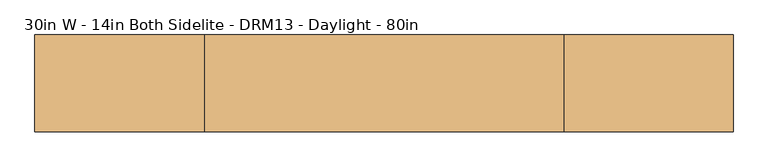
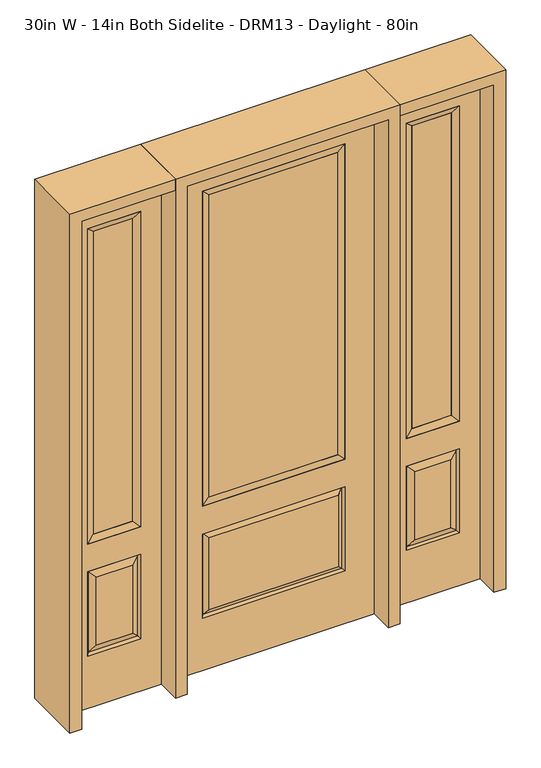
"""IFC4 building model written with IfcOpenShell, lengths in millimetres: door geometry, 30in W - 14in Both Sidelite - DRM13 - Daylight - 80in."""

from ifc_helpers import new_model, si_unit, frame, origin, place, context, project, spatial, polyline, outline, extrude, faceted_brep, source, transform, mapped, element, save


def door_30in_w_14in_both_sidelite_drm13_daylight_80in_07d39ec7(model_context):
    return source(origin(), model_context, "Body", "SolidModel", [
        faceted_brep([(425.45, -22.225, 0.0), (781.05, -22.225, 0.0), (781.05, -22.225, 2032.0), (425.45, -22.225, 2032.0), (703.58, -22.225, 1919.224), (703.58, -22.225, 657.098), (502.92, -22.225, 657.098), (502.92, -22.225, 1919.224), (703.58, -22.225, 209.55), (502.92, -22.225, 209.55), (502.92, -22.225, 546.1), (703.58, -22.225, 546.1), (534.6351001, -22.225, 241.2651001), (671.8648999, -22.225, 241.2651001), (671.8648999, -22.225, 514.3848999), (534.6351001, -22.225, 514.3848999), (425.45, 22.225, 0.0), (425.45, 22.225, 2032.0), (781.05, 22.225, 2032.0), (781.05, 22.225, 0.0), (703.58, 22.225, 1919.224), (502.92, 22.225, 1919.224), (502.92, 22.225, 657.098), (703.58, 22.225, 657.098), (502.92, 22.225, 209.55), (703.58, 22.225, 209.55), (703.58, 22.225, 546.1), (502.92, 22.225, 546.1), (671.8648999, 22.225, 241.2651001), (534.6351001, 22.225, 241.2651001), (534.6351001, 22.225, 514.3848999), (671.8648999, 22.225, 514.3848999), (696.4711499, 12.7912373, 216.6588501), (510.0288501, 12.7912373, 216.6588501), (510.0288501, 12.7912373, 538.9911499), (696.4711499, 12.7912373, 538.9911499), (510.0288501, -12.7912373, 216.6588501), (696.4711499, -12.7912373, 216.6588501), (510.0288501, -12.7912373, 538.9911499), (696.4711499, -12.7912373, 538.9911499)], [[[0, 1, 2, 3], [4, 5, 6, 7], [8, 9, 10, 11]], [[12, 13, 14, 15]], [[16, 17, 18, 19], [20, 21, 22, 23], [24, 25, 26, 27]], [[28, 29, 30, 31]], [[1, 0, 16, 19]], [[2, 1, 19, 18]], [[3, 2, 18, 17]], [[0, 3, 17, 16]], [[5, 4, 20, 23]], [[6, 5, 23, 22]], [[7, 6, 22, 21]], [[4, 7, 21, 20]], [[32, 33, 29, 28]], [[33, 32, 25, 24]], [[29, 33, 34, 30]], [[33, 24, 27, 34]], [[30, 34, 35, 31]], [[34, 27, 26, 35]], [[32, 28, 31, 35]], [[25, 32, 35, 26]], [[12, 36, 37, 13]], [[37, 36, 9, 8]], [[36, 12, 15, 38]], [[9, 36, 38, 10]], [[38, 15, 14, 39]], [[10, 38, 39, 11]], [[13, 37, 39, 14]], [[37, 8, 11, 39]]]),
        faceted_brep([(502.92, 22.225, 1919.224), (502.92, -22.225, 1919.224), (703.58, -22.225, 1919.224), (703.58, 22.225, 1919.224), (528.32, 12.7, 1893.824), (678.18, 12.7, 1893.824), (528.32, -12.7, 1893.824), (678.18, -12.7, 1893.824), (703.58, -22.225, 657.098), (703.58, 22.225, 657.098), (678.18, 12.7, 682.498), (678.18, -12.7, 682.498), (502.92, -22.225, 657.098), (502.92, 22.225, 657.098), (528.32, 12.7, 682.498), (528.32, -12.7, 682.498)], [[[0, 1, 2, 3]], [[4, 0, 3, 5]], [[6, 4, 5, 7]], [[1, 6, 7, 2]], [[3, 2, 8, 9]], [[5, 3, 9, 10]], [[7, 5, 10, 11]], [[2, 7, 11, 8]], [[9, 8, 12, 13]], [[10, 9, 13, 14]], [[11, 10, 14, 15]], [[8, 11, 15, 12]], [[13, 12, 1, 0]], [[14, 13, 0, 4]], [[15, 14, 4, 6]], [[12, 15, 6, 1]]]),
        extrude(outline(polyline([(678.18, -12.7), (528.32, -12.7), (528.32, 12.7), (678.18, 12.7), (678.18, -12.7)])), frame((0.0, 0.0, 682.498), z_axis=(0.0, 0.0, 1.0), x_axis=(1.0, 0.0, 0.0)), (0.0, 0.0, 1.0), 1211.326),
        faceted_brep([(-781.05, -22.225, 0.0), (-425.45, -22.225, 0.0), (-425.45, -22.225, 2032.0), (-781.05, -22.225, 2032.0), (-502.92, -22.225, 1919.224), (-502.92, -22.225, 657.098), (-703.58, -22.225, 657.098), (-703.58, -22.225, 1919.224), (-502.92, -22.225, 209.55), (-703.58, -22.225, 209.55), (-703.58, -22.225, 546.1), (-502.92, -22.225, 546.1), (-671.8648999, -22.225, 241.2651001), (-534.6351001, -22.225, 241.2651001), (-534.6351001, -22.225, 514.3848999), (-671.8648999, -22.225, 514.3848999), (-781.05, 22.225, 0.0), (-781.05, 22.225, 2032.0), (-425.45, 22.225, 2032.0), (-425.45, 22.225, 0.0), (-502.92, 22.225, 1919.224), (-703.58, 22.225, 1919.224), (-703.58, 22.225, 657.098), (-502.92, 22.225, 657.098), (-703.58, 22.225, 209.55), (-502.92, 22.225, 209.55), (-502.92, 22.225, 546.1), (-703.58, 22.225, 546.1), (-534.6351001, 22.225, 241.2651001), (-671.8648999, 22.225, 241.2651001), (-671.8648999, 22.225, 514.3848999), (-534.6351001, 22.225, 514.3848999), (-510.0288501, 12.7912373, 216.6588501), (-696.4711499, 12.7912373, 216.6588501), (-696.4711499, 12.7912373, 538.9911499), (-510.0288501, 12.7912373, 538.9911499), (-696.4711499, -12.7912373, 216.6588501), (-510.0288501, -12.7912373, 216.6588501), (-696.4711499, -12.7912373, 538.9911499), (-510.0288501, -12.7912373, 538.9911499)], [[[0, 1, 2, 3], [4, 5, 6, 7], [8, 9, 10, 11]], [[12, 13, 14, 15]], [[16, 17, 18, 19], [20, 21, 22, 23], [24, 25, 26, 27]], [[28, 29, 30, 31]], [[1, 0, 16, 19]], [[2, 1, 19, 18]], [[3, 2, 18, 17]], [[0, 3, 17, 16]], [[5, 4, 20, 23]], [[6, 5, 23, 22]], [[7, 6, 22, 21]], [[4, 7, 21, 20]], [[32, 33, 29, 28]], [[33, 32, 25, 24]], [[29, 33, 34, 30]], [[33, 24, 27, 34]], [[30, 34, 35, 31]], [[34, 27, 26, 35]], [[32, 28, 31, 35]], [[25, 32, 35, 26]], [[12, 36, 37, 13]], [[37, 36, 9, 8]], [[36, 12, 15, 38]], [[9, 36, 38, 10]], [[38, 15, 14, 39]], [[10, 38, 39, 11]], [[13, 37, 39, 14]], [[37, 8, 11, 39]]]),
        faceted_brep([(-703.58, 22.225, 1919.224), (-703.58, -22.225, 1919.224), (-502.92, -22.225, 1919.224), (-502.92, 22.225, 1919.224), (-678.18, 12.7, 1893.824), (-528.32, 12.7, 1893.824), (-678.18, -12.7, 1893.824), (-528.32, -12.7, 1893.824), (-502.92, -22.225, 657.098), (-502.92, 22.225, 657.098), (-528.32, 12.7, 682.498), (-528.32, -12.7, 682.498), (-703.58, -22.225, 657.098), (-703.58, 22.225, 657.098), (-678.18, 12.7, 682.498), (-678.18, -12.7, 682.498)], [[[0, 1, 2, 3]], [[4, 0, 3, 5]], [[6, 4, 5, 7]], [[1, 6, 7, 2]], [[3, 2, 8, 9]], [[5, 3, 9, 10]], [[7, 5, 10, 11]], [[2, 7, 11, 8]], [[9, 8, 12, 13]], [[10, 9, 13, 14]], [[11, 10, 14, 15]], [[8, 11, 15, 12]], [[13, 12, 1, 0]], [[14, 13, 0, 4]], [[15, 14, 4, 6]], [[12, 15, 6, 1]]]),
        extrude(outline(polyline([(-528.32, -12.7), (-678.18, -12.7), (-678.18, 12.7), (-528.32, 12.7), (-528.32, -12.7)])), frame((0.0, 0.0, 682.498), z_axis=(0.0, 0.0, 1.0), x_axis=(1.0, 0.0, 0.0)), (0.0, 0.0, 1.0), 1211.326),
        faceted_brep([(-262.7661499, -12.7912373, 216.6588501), (262.7661499, -12.7912373, 216.6588501), (245.26875, -22.225, 234.15625), (-245.26875, -22.225, 234.15625), (-269.875, -22.225, 209.55), (269.875, -22.225, 209.55), (-262.7661499, -12.7912373, 538.9911499), (-269.875, -22.225, 546.1), (245.26875, -22.225, 521.49375), (-245.26875, -22.225, 521.49375), (381.0, -22.225, 2032.0), (-381.0, -22.225, 2032.0), (-381.0, -22.225, 0.0), (381.0, -22.225, 0.0), (269.875, -22.225, 546.1), (269.875, -22.225, 1917.7), (269.875, -22.225, 657.098), (-269.875, -22.225, 657.098), (-269.875, -22.225, 1917.7), (262.7661499, -12.7912373, 538.9911499), (-381.0, 22.225, 2032.0), (-381.0, 22.225, 0.0), (381.0, 22.225, 0.0), (381.0, 22.225, 2032.0), (269.875, 22.225, 1917.7), (269.875, 22.225, 657.098), (-269.875, 22.225, 657.098), (-269.875, 22.225, 1917.7), (-269.875, 22.225, 209.55), (269.875, 22.225, 209.55), (269.875, 22.225, 546.1), (-269.875, 22.225, 546.1), (245.26875, 22.225, 234.15625), (-245.26875, 22.225, 234.15625), (-245.26875, 22.225, 521.49375), (245.26875, 22.225, 521.49375), (-262.7661499, 12.7912373, 216.6588501), (262.7661499, 12.7912373, 216.6588501), (262.7661499, 12.7912373, 538.9911499), (-262.7661499, 12.7912373, 538.9911499)], [[[0, 1, 2, 3]], [[1, 0, 4, 5]], [[4, 0, 6, 7]], [[3, 2, 8, 9]], [[10, 11, 12, 13], [5, 4, 7, 14], [15, 16, 17, 18]], [[1, 5, 14, 19]], [[2, 1, 19, 8]], [[0, 3, 9, 6]], [[7, 6, 19, 14]], [[6, 9, 8, 19]], [[12, 11, 20, 21]], [[13, 12, 21, 22]], [[10, 13, 22, 23]], [[16, 15, 24, 25]], [[17, 16, 25, 26]], [[18, 17, 26, 27]], [[23, 22, 21, 20], [28, 29, 30, 31], [24, 27, 26, 25]], [[32, 33, 34, 35]], [[28, 36, 37, 29]], [[29, 37, 38, 30]], [[39, 31, 30, 38]], [[36, 28, 31, 39]], [[37, 36, 33, 32]], [[33, 36, 39, 34]], [[34, 39, 38, 35]], [[37, 32, 35, 38]], [[11, 10, 23, 20]], [[15, 18, 27, 24]]]),
        faceted_brep([(-269.875, -22.225, 1917.7), (-269.875, 22.225, 1917.7), (-269.875, 22.225, 657.098), (-269.875, -22.225, 657.098), (269.875, 22.225, 657.098), (269.875, -22.225, 657.098), (-244.475, 5.08, 682.498), (244.475, 5.08, 682.498), (269.875, 22.225, 1917.7), (269.875, -22.225, 1917.7), (-244.475, -20.32, 682.498), (244.475, -20.32, 682.498), (-244.475, -20.32, 1892.3), (244.475, -20.32, 1892.3), (-244.475, 5.08, 1892.3), (244.475, 5.08, 1892.3)], [[[0, 1, 2, 3]], [[3, 2, 4, 5]], [[2, 6, 7, 4]], [[5, 4, 8, 9]], [[10, 3, 5, 11]], [[12, 0, 3, 10]], [[11, 5, 9, 13]], [[6, 10, 11, 7]], [[14, 12, 10, 6]], [[7, 11, 13, 15]], [[1, 14, 6, 2]], [[4, 7, 15, 8]], [[9, 8, 1, 0]], [[13, 9, 0, 12]], [[15, 13, 12, 14]], [[8, 15, 14, 1]]]),
        extrude(outline(polyline([(244.475, -20.32), (-244.475, -20.32), (-244.475, 5.08), (244.475, 5.08), (244.475, -20.32)])), frame((0.0, 0.0, 682.498), z_axis=(0.0, 0.0, 1.0), x_axis=(1.0, 0.0, 0.0)), (0.0, 0.0, 1.0), 1209.802),
        extrude(outline(polyline([(2032.0, -425.45), (2076.45, -425.45), (2076.45, -825.5), (0.0, -825.5), (0.0, -781.05), (2032.0, -781.05), (2032.0, -425.45)])), frame((0.0, -114.3, 0.0), z_axis=(0.0, 1.0, 0.0), x_axis=(0.0, 0.0, 1.0)), (0.0, 0.0, 1.0), 228.6),
        extrude(outline(polyline([(2076.45, -425.45), (0.0, -425.45), (0.0, -381.0), (2032.0, -381.0), (2032.0, 381.0), (0.0, 381.0), (0.0, 425.45), (2076.45, 425.45), (2076.45, -425.45)])), frame((0.0, -114.3, 0.0), z_axis=(0.0, 1.0, 0.0), x_axis=(0.0, 0.0, 1.0)), (0.0, 0.0, 1.0), 228.6),
        extrude(outline(polyline([(0.0, 781.05), (0.0, 825.5), (2076.45, 825.5), (2076.45, 425.45), (2032.0, 425.45), (2032.0, 781.05), (0.0, 781.05)])), frame((0.0, -114.3, 0.0), z_axis=(0.0, 1.0, 0.0), x_axis=(0.0, 0.0, 1.0)), (0.0, 0.0, 1.0), 228.6),
    ])


if __name__ == "__main__":
    model = new_model("IFC4")
    model_context = context("Model", 3, world=origin())
    ifc_project = project(units=[si_unit("LENGTHUNIT", "METRE", prefix="MILLI")], contexts=[model_context])
    site = spatial("IfcSite", under=ifc_project)
    building = spatial("IfcBuilding", under=site)
    placement = place(None, origin())
    door_30in_w_14in_both_sidelite_drm13_daylight_80in_shape = door_30in_w_14in_both_sidelite_drm13_daylight_80in_07d39ec7(model_context)
    element("IfcDoor", 1, ObjectType="30in W - 14in Both Sidelite - DRM13 - Daylight - 80in", at=placement, inside=building, context=model_context, shape_type="MappedRepresentation", body=[
        mapped(door_30in_w_14in_both_sidelite_drm13_daylight_80in_shape, transform((0.0, 0.0, 0.0), x_axis=(1.0, 0.0, 0.0), y_axis=(0.0, 1.0, 0.0), z_axis=(0.0, 0.0, 1.0))),
    ])
    save(model, "model.ifc")
